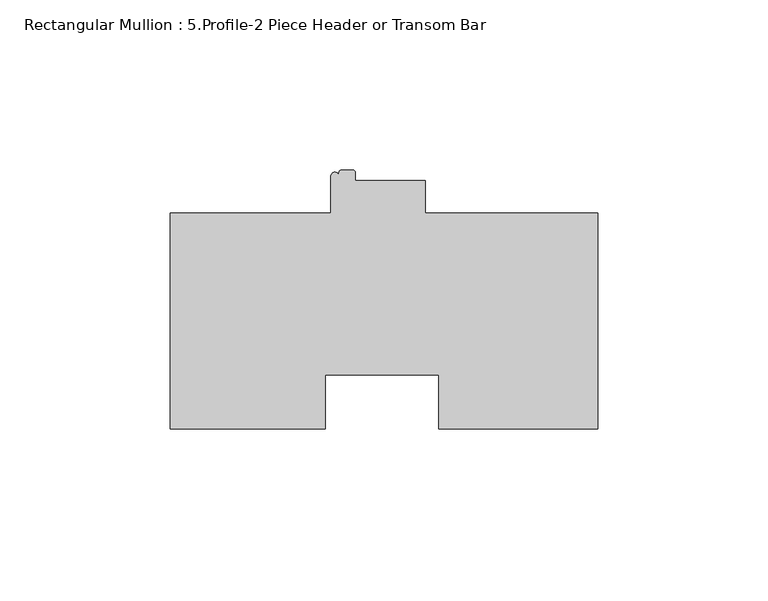
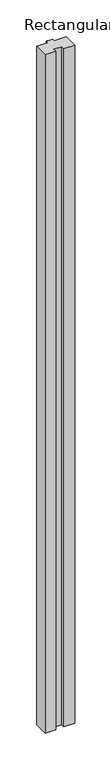
"""IFC4 building model written with IfcOpenShell, lengths in millimetres: member geometry, Rectangular Mullion : 5.Profile-2 Piece Header or Transom Bar."""

from ifc_helpers import new_model, si_unit, point, frame, frame_2d, origin, place, context, project, spatial, polyline, circle_curve, trimmed, segment, composite_curve, outline, extrude, source, transform, mapped, element, save


def rectangular_mullion_5_profile_2_piece_header_or_transom_bar_7800e037(model_context):
    return source(origin(), model_context, "Body", "SweptSolid", [
        extrude(outline(composite_curve([segment(polyline([(-80.20749, -31.75), (-125.7808, -31.75), (-125.7808, 31.75), (-78.511146, 31.75), (-78.511146, 42.5657845)]), True, "CONTINUOUS"), segment(trimmed(circle_curve(frame_2d((-77.317346, 42.5657845)), 1.1938), [point((-78.511146, 42.5657845))], [point((-76.1238, 42.5904094))], False, "CARTESIAN"), True, "CONTINUOUS"), segment(polyline([(-76.1238, 42.5904094), (-76.1238, 43.6626)]), True, "CONTINUOUS"), segment(trimmed(circle_curve(frame_2d((-75.3364, 43.6626)), 0.7874), [point((-76.1238, 43.6626))], [point((-75.3364, 44.45))], False, "CARTESIAN"), True, "CONTINUOUS"), segment(polyline([(-75.3364, 44.45), (-72.136, 44.45)]), True, "CONTINUOUS"), segment(trimmed(circle_curve(frame_2d((-72.136, 43.6626)), 0.7874), [point((-72.136, 44.45))], [point((-71.3486, 43.6626))], False, "CARTESIAN"), True, "CONTINUOUS"), segment(polyline([(-71.3486, 43.6626), (-71.3486, 41.275), (-50.7238, 41.275), (-50.7238, 31.75), (0.0, 31.75), (0.0, -31.75), (-46.8444686, -31.75), (-46.8444686, -15.8624762), (-80.20749, -15.8624762), (-80.20749, -31.75)]), True, "CONTINUOUS")], self_intersect=False)), frame((0.0, 0.0, -3048.0), z_axis=(0.0, 0.0, 1.0), x_axis=(1.0, 0.0, 0.0)), (0.0, 0.0, 1.0), 3048.0),
    ])


if __name__ == "__main__":
    model = new_model("IFC4")
    model_context = context("Model", 3, world=origin())
    ifc_project = project(units=[si_unit("LENGTHUNIT", "METRE", prefix="MILLI")], contexts=[model_context])
    site = spatial("IfcSite", under=ifc_project)
    building = spatial("IfcBuilding", under=site)
    placement = place(None, origin())
    rectangular_mullion_5_profile_2_piece_header_or_transom_bar_shape = rectangular_mullion_5_profile_2_piece_header_or_transom_bar_7800e037(model_context)
    element("IfcMember", 1, ObjectType="Rectangular Mullion : 5.Profile-2 Piece Header or Transom Bar", at=placement, inside=building, context=model_context, shape_type="MappedRepresentation", body=[
        mapped(rectangular_mullion_5_profile_2_piece_header_or_transom_bar_shape, transform((0.0, 0.0, 0.0), x_axis=(1.0, 0.0, 0.0), y_axis=(0.0, 1.0, 0.0), z_axis=(0.0, 0.0, 1.0))),
    ])
    save(model, "model.ifc")
